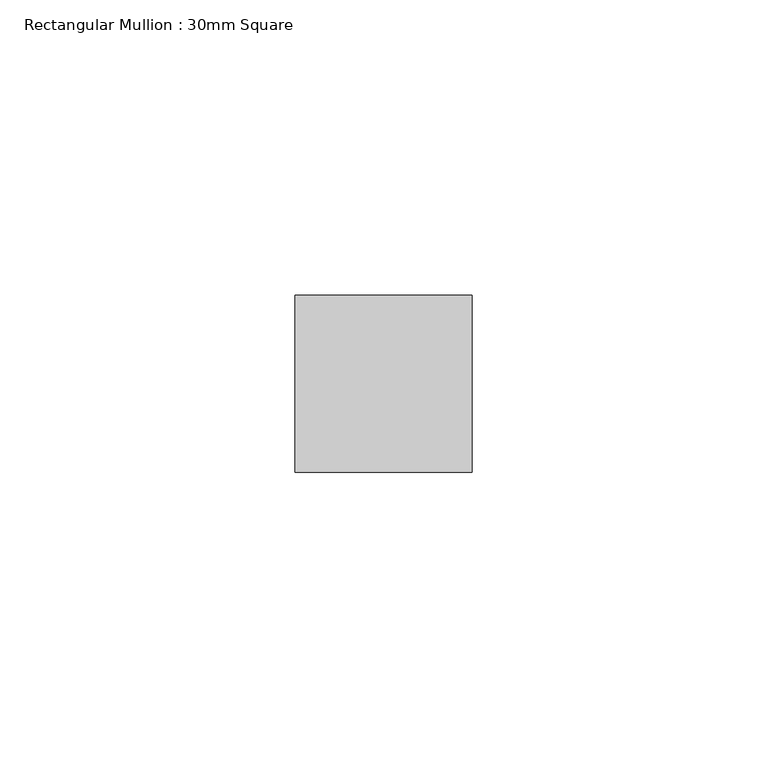
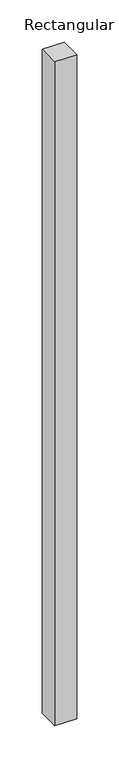
"""IFC4 building model written with IfcOpenShell, lengths in millimetres: member geometry, Rectangular Mullion : 30mm Square."""

from ifc_helpers import new_model, si_unit, frame, origin, place, context, project, spatial, polyline, outline, extrude, source, transform, mapped, element, save


def rectangular_mullion_30mm_square_88e365ae(model_context):
    return source(origin(), model_context, "Body", "SweptSolid", [
        extrude(outline(polyline([(0.0, 15.0), (0.0, -15.0), (-30.0, -15.0), (-30.0, 15.0), (0.0, 15.0)])), frame((0.0, 0.0, -961.2561064), z_axis=(0.0, 0.0, 1.0), x_axis=(1.0, 0.0, 0.0)), (0.0, 0.0, 1.0), 961.2561064),
    ])


if __name__ == "__main__":
    model = new_model("IFC4")
    model_context = context("Model", 3, world=origin())
    ifc_project = project(units=[si_unit("LENGTHUNIT", "METRE", prefix="MILLI")], contexts=[model_context])
    site = spatial("IfcSite", under=ifc_project)
    building = spatial("IfcBuilding", under=site)
    placement = place(None, origin())
    rectangular_mullion_30mm_square_shape = rectangular_mullion_30mm_square_88e365ae(model_context)
    element("IfcMember", 1, ObjectType="Rectangular Mullion : 30mm Square", at=placement, inside=building, context=model_context, shape_type="MappedRepresentation", body=[
        mapped(rectangular_mullion_30mm_square_shape, transform((0.0, 0.0, 0.0), x_axis=(1.0, 0.0, 0.0), y_axis=(0.0, 1.0, 0.0), z_axis=(0.0, 0.0, 1.0))),
    ])
    save(model, "model.ifc")
